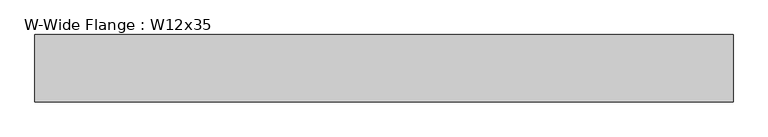
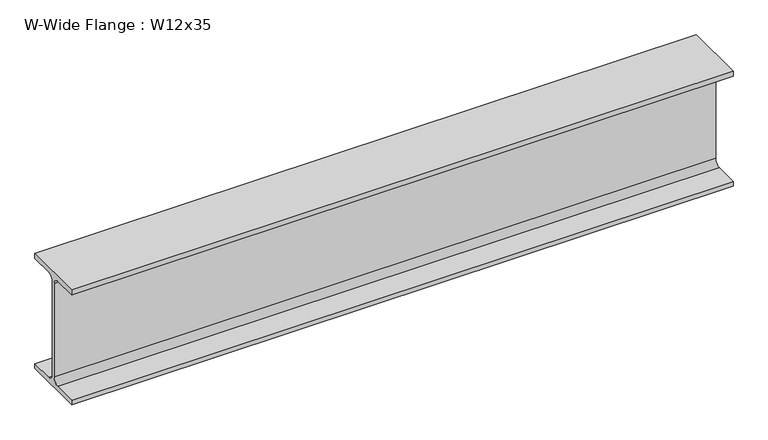
"""IFC4 building model written with IfcOpenShell, lengths in millimetres: beam geometry, W-Wide Flange : W12x35."""

from ifc_helpers import new_model, si_unit, point, frame, frame_2d, origin, place, context, project, spatial, polyline, circle_curve, trimmed, segment, composite_curve, outline, extrude, source, transform, mapped, element, save


def w_wide_flange_w12x35_e7a85dce(model_context):
    return source(origin(), model_context, "Body", "SweptSolid", [
        extrude(outline(composite_curve([segment(polyline([(83.312, -145.542), (83.312, -158.75), (-83.312, -158.75), (-83.312, -145.542), (-20.7645, -145.542)]), True, "CONTINUOUS"), segment(trimmed(circle_curve(frame_2d((-20.7645, -128.5875)), 16.9545), [point((-20.7645, -145.542))], [point((-3.81, -128.5875))], True, "CARTESIAN"), True, "CONTINUOUS"), segment(polyline([(-3.81, -128.5875), (-3.81, 128.5875)]), True, "CONTINUOUS"), segment(trimmed(circle_curve(frame_2d((-20.7645, 128.5875)), 16.9545), [point((-3.81, 128.5875))], [point((-20.7645, 145.542))], True, "CARTESIAN"), True, "CONTINUOUS"), segment(polyline([(-20.7645, 145.542), (-83.312, 145.542), (-83.312, 158.75), (83.312, 158.75), (83.312, 145.542), (20.7645, 145.542)]), True, "CONTINUOUS"), segment(trimmed(circle_curve(frame_2d((20.7645, 128.5875)), 16.9545), [point((20.7645, 145.542))], [point((3.81, 128.5875))], True, "CARTESIAN"), True, "CONTINUOUS"), segment(polyline([(3.81, 128.5875), (3.81, -128.5875)]), True, "CONTINUOUS"), segment(trimmed(circle_curve(frame_2d((20.7645, -128.5875)), 16.9545), [point((3.81, -128.5875))], [point((20.7645, -145.542))], True, "CARTESIAN"), True, "CONTINUOUS"), segment(polyline([(20.7645, -145.542), (83.312, -145.542)]), True, "CONTINUOUS")], self_intersect=False)), frame((-829.31, 0.0, 0.0), z_axis=(1.0, 0.0, 0.0), x_axis=(0.0, 1.0, 0.0)), (0.0, 0.0, 1.0), 1728.216),
    ])


if __name__ == "__main__":
    model = new_model("IFC4")
    model_context = context("Model", 3, world=origin())
    ifc_project = project(units=[si_unit("LENGTHUNIT", "METRE", prefix="MILLI")], contexts=[model_context])
    site = spatial("IfcSite", under=ifc_project)
    building = spatial("IfcBuilding", under=site)
    placement = place(None, origin())
    w_wide_flange_w12x35_shape = w_wide_flange_w12x35_e7a85dce(model_context)
    element("IfcBeam", 1, ObjectType="W-Wide Flange : W12x35", at=placement, inside=building, context=model_context, shape_type="MappedRepresentation", body=[
        mapped(w_wide_flange_w12x35_shape, transform((0.0, 0.0, 0.0), x_axis=(1.0, 0.0, 0.0), y_axis=(0.0, 1.0, 0.0), z_axis=(0.0, 0.0, 1.0))),
    ])
    save(model, "model.ifc")
